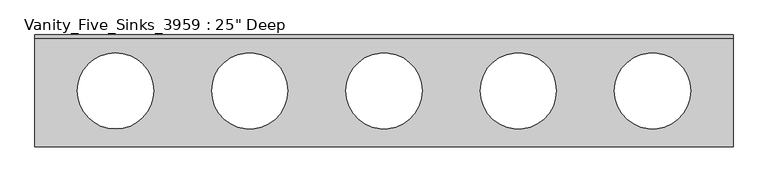
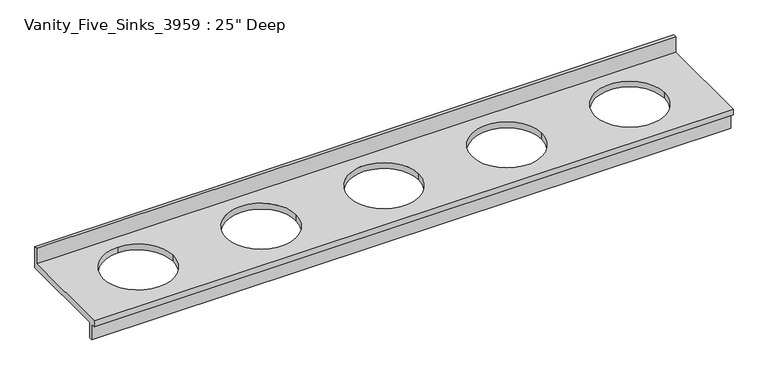
"""IFC4 building model written with IfcOpenShell, lengths in millimetres: furniture geometry."""

from ifc_helpers import new_model, si_unit, frame, origin, place, context, project, spatial, polyline, circle_curve, source, transform, mapped, element, save
from ifc_brep_helpers import plane_surface, revolved_surface, advanced_brep


def furniture_31f752a4(model_context):
    return source(origin(), model_context, "Body", "AdvancedBrep", [
        advanced_brep(
        [(-1327.4622951, -635.0, 863.6), (2634.9377049, -635.0, 863.6), (2634.9377049, -19.05, 863.6), (-1327.4622951, -19.05, 863.6), (107.6377049, -317.5, 863.6), (-324.1622951, -317.5, 863.6), (-870.2622951, -533.4, 863.6), (-1086.1622951, -317.5, 863.6), (-870.2622951, -101.6, 863.6), (-654.3622951, -317.5, 863.6), (869.6377049, -317.5, 863.6), (437.8377049, -317.5, 863.6), (1631.6377049, -317.5, 863.6), (1199.8377049, -317.5, 863.6), (2393.6377049, -317.5, 863.6), (1961.8377049, -317.5, 863.6), (2634.9377049, -635.0, 825.5), (-1327.4622951, -635.0, 825.5), (-1327.4622951, -609.6, 825.5), (2634.9377049, -609.6, 825.5), (-1327.4622951, 0.0, 825.5), (2634.9377049, 0.0, 825.5), (2634.9377049, -590.55, 825.5), (-1327.4622951, -590.55, 825.5), (-324.1622951, -317.5, 825.5), (107.6377049, -317.5, 825.5), (-1086.1622951, -317.5, 825.5), (-870.2622951, -533.4, 825.5), (-654.3622951, -317.5, 825.5), (-870.2622951, -101.6, 825.5), (437.8377049, -317.5, 825.5), (869.6377049, -317.5, 825.5), (1199.8377049, -317.5, 825.5), (1631.6377049, -317.5, 825.5), (1961.8377049, -317.5, 825.5), (2393.6377049, -317.5, 825.5), (-1327.4622951, 0.0, 965.2), (2634.9377049, 0.0, 965.2), (-1327.4622951, -19.05, 965.2), (-1327.4622951, -590.55, 723.9), (-1327.4622951, -609.6, 723.9), (2634.9377049, -609.6, 723.9), (2634.9377049, -590.55, 723.9), (2634.9377049, -19.05, 965.2)],
        [
            (0, 1),
            (1, 2),
            (2, 3),
            (3, 0),
            (4, 5, circle_curve(frame((-108.2622951, -317.5, 863.6), z_axis=(0.0, 0.0, -1.0), x_axis=(1.0, 0.0, 0.0)), 215.9)),
            (5, 4, circle_curve(frame((-108.2622951, -317.5, 863.6), z_axis=(0.0, 0.0, -1.0), x_axis=(1.0, 0.0, 0.0)), 215.9)),
            (6, 7, circle_curve(frame((-870.2622951, -317.5, 863.6), z_axis=(0.0, 0.0, -1.0), x_axis=(1.0, 0.0, 0.0)), 215.9)),
            (7, 8, circle_curve(frame((-870.2622951, -317.5, 863.6), z_axis=(0.0, 0.0, -1.0), x_axis=(1.0, 0.0, 0.0)), 215.9)),
            (8, 9, circle_curve(frame((-870.2622951, -317.5, 863.6), z_axis=(0.0, 0.0, -1.0), x_axis=(1.0, 0.0, 0.0)), 215.9)),
            (9, 6, circle_curve(frame((-870.2622951, -317.5, 863.6), z_axis=(0.0, 0.0, -1.0), x_axis=(1.0, 0.0, 0.0)), 215.9)),
            (10, 11, circle_curve(frame((653.7377049, -317.5, 863.6), z_axis=(0.0, 0.0, -1.0), x_axis=(1.0, 0.0, 0.0)), 215.9)),
            (11, 10, circle_curve(frame((653.7377049, -317.5, 863.6), z_axis=(0.0, 0.0, -1.0), x_axis=(1.0, 0.0, 0.0)), 215.9)),
            (12, 13, circle_curve(frame((1415.7377049, -317.5, 863.6), z_axis=(0.0, 0.0, -1.0), x_axis=(1.0, 0.0, 0.0)), 215.9)),
            (13, 12, circle_curve(frame((1415.7377049, -317.5, 863.6), z_axis=(0.0, 0.0, -1.0), x_axis=(1.0, 0.0, 0.0)), 215.9)),
            (14, 15, circle_curve(frame((2177.7377049, -317.5, 863.6), z_axis=(0.0, 0.0, -1.0), x_axis=(1.0, 0.0, 0.0)), 215.9)),
            (15, 14, circle_curve(frame((2177.7377049, -317.5, 863.6), z_axis=(0.0, 0.0, -1.0), x_axis=(1.0, 0.0, 0.0)), 215.9)),
            (16, 17),
            (17, 18),
            (18, 19),
            (19, 16),
            (20, 21),
            (21, 22),
            (22, 23),
            (23, 20),
            (24, 25, circle_curve(frame((-108.2622951, -317.5, 825.5), z_axis=(0.0, 0.0, 1.0), x_axis=(1.0, 0.0, 0.0)), 215.9)),
            (25, 24, circle_curve(frame((-108.2622951, -317.5, 825.5), z_axis=(0.0, 0.0, 1.0), x_axis=(1.0, 0.0, 0.0)), 215.9)),
            (26, 27, circle_curve(frame((-870.2622951, -317.5, 825.5), z_axis=(0.0, 0.0, 1.0), x_axis=(1.0, 0.0, 0.0)), 215.9)),
            (27, 28, circle_curve(frame((-870.2622951, -317.5, 825.5), z_axis=(0.0, 0.0, 1.0), x_axis=(1.0, 0.0, 0.0)), 215.9)),
            (28, 29, circle_curve(frame((-870.2622951, -317.5, 825.5), z_axis=(0.0, 0.0, 1.0), x_axis=(1.0, 0.0, 0.0)), 215.9)),
            (29, 26, circle_curve(frame((-870.2622951, -317.5, 825.5), z_axis=(0.0, 0.0, 1.0), x_axis=(1.0, 0.0, 0.0)), 215.9)),
            (30, 31, circle_curve(frame((653.7377049, -317.5, 825.5), z_axis=(0.0, 0.0, 1.0), x_axis=(1.0, 0.0, 0.0)), 215.9)),
            (31, 30, circle_curve(frame((653.7377049, -317.5, 825.5), z_axis=(0.0, 0.0, 1.0), x_axis=(1.0, 0.0, 0.0)), 215.9)),
            (32, 33, circle_curve(frame((1415.7377049, -317.5, 825.5), z_axis=(0.0, 0.0, 1.0), x_axis=(1.0, 0.0, 0.0)), 215.9)),
            (33, 32, circle_curve(frame((1415.7377049, -317.5, 825.5), z_axis=(0.0, 0.0, 1.0), x_axis=(1.0, 0.0, 0.0)), 215.9)),
            (34, 35, circle_curve(frame((2177.7377049, -317.5, 825.5), z_axis=(0.0, 0.0, 1.0), x_axis=(1.0, 0.0, 0.0)), 215.9)),
            (35, 34, circle_curve(frame((2177.7377049, -317.5, 825.5), z_axis=(0.0, 0.0, 1.0), x_axis=(1.0, 0.0, 0.0)), 215.9)),
            (20, 36),
            (36, 37),
            (37, 21),
            (17, 0),
            (3, 38),
            (38, 36),
            (23, 39),
            (39, 40),
            (40, 18),
            (16, 1),
            (19, 41),
            (41, 42),
            (42, 22),
            (37, 43),
            (43, 2),
            (4, 25),
            (24, 5),
            (38, 43),
            (6, 27),
            (26, 7),
            (9, 28),
            (8, 29),
            (41, 40),
            (39, 42),
            (10, 31),
            (30, 11),
            (12, 33),
            (32, 13),
            (14, 35),
            (34, 15),
        ],
        [
            plane_surface(frame((-1327.4622951, 0.0, 863.6), z_axis=(0.0, 0.0, 1.0), x_axis=(-1.0, 0.0, 0.0))),
            plane_surface(frame((-1327.4622951, 0.0, 825.5), z_axis=(0.0, 0.0, -1.0), x_axis=(1.0, 0.0, 0.0))),
            plane_surface(frame((2634.9377049, 0.0, 863.6), z_axis=(0.0, 1.0, 0.0), x_axis=(0.0, 0.0, -1.0))),
            plane_surface(frame((-1327.4622951, 0.0, 863.6), z_axis=(-1.0, 0.0, 0.0), x_axis=(0.0, 0.0, -1.0))),
            plane_surface(frame((-1327.4622951, -635.0, 863.6), z_axis=(0.0, -1.0, 0.0), x_axis=(0.0, 0.0, -1.0))),
            plane_surface(frame((2634.9377049, -635.0, 863.6), z_axis=(1.0, 0.0, 0.0), x_axis=(0.0, 0.0, -1.0))),
            revolved_surface(polyline([(107.6377049, -317.5, 863.6), (107.6377049, -317.5, 825.5)]), (-108.2622951, -317.5, 825.5), (0.0, 0.0, 1.0)),
            plane_surface(frame((-1327.4622951, 0.0, 965.2), z_axis=(0.0, 0.0, 1.0), x_axis=(0.0, -1.0, 0.0))),
            plane_surface(frame((-1327.4622951, -19.05, 965.2), z_axis=(0.0, -1.0, 0.0), x_axis=(0.0, 0.0, -1.0))),
            revolved_surface(polyline([(-654.3622951, -317.5, 863.6), (-654.3622951, -317.5, 825.5)]), (-870.2622951, -317.5, 825.5), (0.0, 0.0, 1.0)),
            plane_surface(frame((-1327.4622951, -590.55, 723.9), z_axis=(0.0, 0.0, -1.0), x_axis=(1.0, 0.0, 0.0))),
            plane_surface(frame((2634.9377049, -590.55, 825.5), z_axis=(0.0, 1.0, 0.0), x_axis=(0.0, 0.0, -1.0))),
            plane_surface(frame((-1327.4622951, -609.6, 825.5), z_axis=(0.0, -1.0, 0.0), x_axis=(0.0, 0.0, -1.0))),
            revolved_surface(polyline([(869.6377049, -317.5, 863.6), (869.6377049, -317.5, 825.5)]), (653.7377049, -317.5, 825.5), (0.0, 0.0, 1.0)),
            revolved_surface(polyline([(1631.6377049, -317.5, 863.6), (1631.6377049, -317.5, 825.5)]), (1415.7377049, -317.5, 825.5), (0.0, 0.0, 1.0)),
            revolved_surface(polyline([(2393.6377049000002, -317.5, 863.6), (2393.6377049000002, -317.5, 825.5)]), (2177.7377049, -317.5, 825.5), (0.0, 0.0, 1.0)),
        ],
        [
            (0, [[1, 2, 3, 4], [5, 6], [7, 8, 9, 10], [11, 12], [13, 14], [15, 16]]),
            (1, [[17, 18, 19, 20]]),
            (1, [[21, 22, 23, 24], [25, 26], [27, 28, 29, 30], [31, 32], [33, 34], [35, 36]]),
            (2, [[-21, 37, 38, 39]]),
            (3, [[40, -4, 41, 42, -37, -24, 43, 44, 45, -18]]),
            (4, [[-1, -40, -17, 46]]),
            (5, [[-46, -20, 47, 48, 49, -22, -39, 50, 51, -2]]),
            (6, [[52, -25, 53, -5]]),
            (6, [[-52, -6, -53, -26]]),
            (7, [[-42, 54, -50, -38]]),
            (8, [[-54, -41, -3, -51]]),
            (9, [[55, -27, 56, -7]]),
            (9, [[-55, -10, 57, -28]]),
            (9, [[-57, -9, 58, -29]]),
            (9, [[-56, -30, -58, -8]]),
            (10, [[-48, 59, -44, 60]]),
            (11, [[-60, -43, -23, -49]]),
            (12, [[-59, -47, -19, -45]]),
            (13, [[61, -31, 62, -11]]),
            (13, [[-61, -12, -62, -32]]),
            (14, [[63, -33, 64, -13]]),
            (14, [[-63, -14, -64, -34]]),
            (15, [[65, -35, 66, -15]]),
            (15, [[-65, -16, -66, -36]]),
        ],
    ),
    ])


if __name__ == "__main__":
    model = new_model("IFC4")
    model_context = context("Model", 3, world=origin())
    ifc_project = project(units=[si_unit("LENGTHUNIT", "METRE", prefix="MILLI")], contexts=[model_context])
    site = spatial("IfcSite", under=ifc_project)
    building = spatial("IfcBuilding", under=site)
    placement = place(None, origin())
    furniture_shape = furniture_31f752a4(model_context)
    element("IfcFurniture", 1, ObjectType="Vanity_Five_Sinks_3959 : 25\" Deep", at=placement, inside=building, context=model_context, shape_type="MappedRepresentation", body=[
        mapped(furniture_shape, transform((0.0, 0.0, 0.0), x_axis=(1.0, 0.0, 0.0), y_axis=(0.0, 1.0, 0.0), z_axis=(0.0, 0.0, 1.0))),
    ])
    save(model, "model.ifc")
